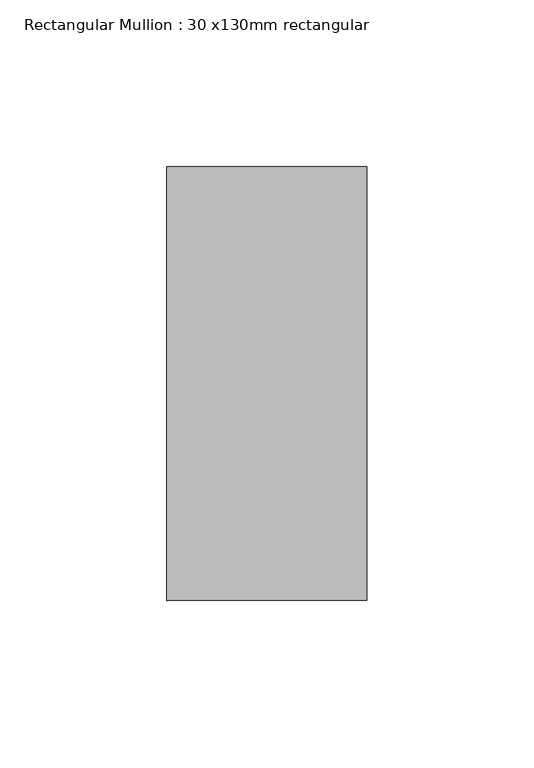
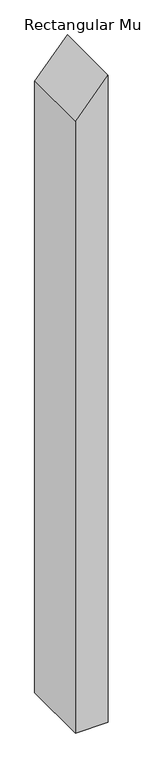
"""IFC4 building model written with IfcOpenShell, lengths in millimetres: member geometry, Rectangular Mullion : 30 x130mm rectangular."""

from ifc_helpers import new_model, si_unit, frame, origin, place, context, project, spatial, polyline, outline, extrude, source, transform, mapped, element, save


def rectangular_mullion_30_x130mm_rectangular_20b83443(model_context):
    return source(origin(), model_context, "Body", "SweptSolid", [
        extrude(outline(polyline([(-57.0104977, 30.0), (-126.2925301, -30.0), (-1314.093641, -30.0), (-1314.093641, 30.0), (-57.0104977, 30.0)])), frame((0.0, -65.0, 0.0), z_axis=(0.0, 1.0, 0.0), x_axis=(0.0, 0.0, 1.0)), (0.0, 0.0, 1.0), 130.0),
    ])


if __name__ == "__main__":
    model = new_model("IFC4")
    model_context = context("Model", 3, world=origin())
    ifc_project = project(units=[si_unit("LENGTHUNIT", "METRE", prefix="MILLI")], contexts=[model_context])
    site = spatial("IfcSite", under=ifc_project)
    building = spatial("IfcBuilding", under=site)
    placement = place(None, origin())
    rectangular_mullion_30_x130mm_rectangular_shape = rectangular_mullion_30_x130mm_rectangular_20b83443(model_context)
    element("IfcMember", 1, ObjectType="Rectangular Mullion : 30 x130mm rectangular", at=placement, inside=building, context=model_context, shape_type="MappedRepresentation", body=[
        mapped(rectangular_mullion_30_x130mm_rectangular_shape, transform((0.0, 0.0, 0.0), x_axis=(1.0, 0.0, 0.0), y_axis=(0.0, 1.0, 0.0), z_axis=(0.0, 0.0, 1.0))),
    ])
    save(model, "model.ifc")
